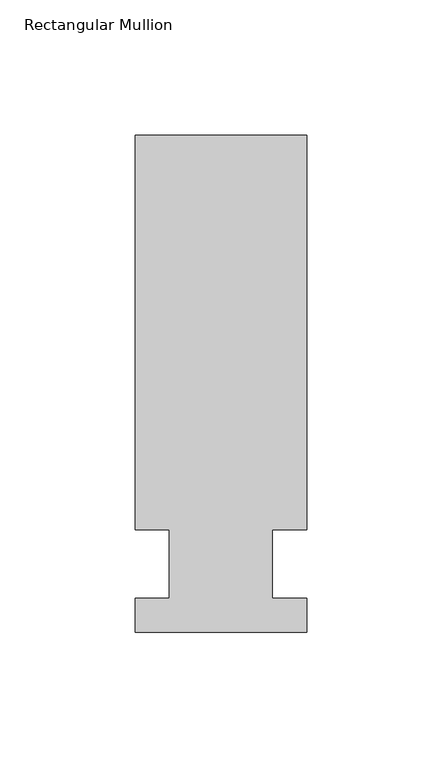
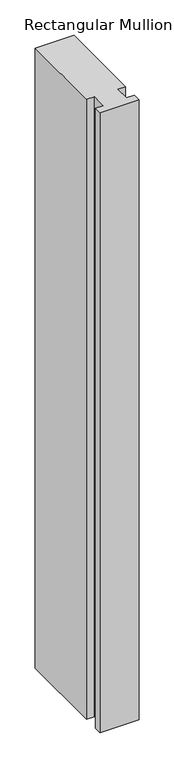
"""IFC4 building model written with IfcOpenShell, lengths in millimetres: member geometry, Rectangular Mullion."""

import ifcopenshell
import ifcopenshell.guid

model = None  # the IFC model being written
_history = None  # IfcOwnerHistory: only IFC2X3 demands one
_inside = {}  # id of a spatial element -> (the spatial element, [elements in it])
_under = {}  # id of a project, library or spatial element -> (it, [spatial elements below it])
_declared = {}  # id of a project -> (the project, [libraries it declares])
_typed = {}  # id of a type object -> (the type object, [elements of that type])
_made_of = {}  # id of a material, layer set ... -> (it, [elements and type objects made of it])


def new_model(schema):
    """Start an empty IFC model of exactly this schema.

    Asked for "IFC4X3", IfcOpenShell would pick the latest addendum, in which some entities
    have other attributes; the version numbers below select the first issue.
    IFC2X3 requires an IfcOwnerHistory on every rooted entity: one is made here for all.
    """
    global model, _history
    if schema == "IFC4X3":
        model = ifcopenshell.file(schema_version=(4, 3, 0, 0))
    else:
        model = ifcopenshell.file(schema=schema)
    _inside.clear()
    _under.clear()
    _declared.clear()
    _typed.clear()
    _made_of.clear()
    _history = None
    if model.schema == "IFC2X3":
        org = make("IfcOrganization", Name="unknown")
        user = make(
            "IfcPersonAndOrganization",
            ThePerson=make("IfcPerson", FamilyName="unknown"),
            TheOrganization=org,
        )
        app = make(
            "IfcApplication",
            ApplicationDeveloper=org,
            Version="unknown",
            ApplicationFullName="unknown",
            ApplicationIdentifier="unknown",
        )
        _history = make(
            "IfcOwnerHistory",
            OwningUser=user,
            OwningApplication=app,
            ChangeAction="ADDED",
            CreationDate=0,
        )
    return model


def make(cls, **values):
    """One entity of the class cls with the attributes given. An attribute that is None is left unset."""
    return model.create_entity(
        cls, **{name: value for name, value in values.items() if value is not None}
    )


def rooted(cls, **values):
    """An entity with a GlobalId (a new one), such as an element, a storey or a relation."""
    return make(cls, GlobalId=ifcopenshell.guid.new(), OwnerHistory=_history, **values)


def si_unit(unit_type, name, prefix=None):
    """IfcSIUnit, for example si_unit("LENGTHUNIT", "METRE", prefix="MILLI")."""
    return make("IfcSIUnit", UnitType=unit_type, Prefix=prefix, Name=name)


def assignment(units):
    """IfcUnitAssignment: the units of a project."""
    return None if units is None else make("IfcUnitAssignment", Units=units)


def point(xyz):
    """IfcCartesianPoint."""
    return None if xyz is None else make("IfcCartesianPoint", Coordinates=xyz)


def direction(xyz):
    """IfcDirection."""
    return None if xyz is None else make("IfcDirection", DirectionRatios=xyz)


def frame(location, z_axis=None, x_axis=None):
    """IfcAxis2Placement3D, a coordinate frame: its origin and axes. An axis left out is left unset."""
    return make(
        "IfcAxis2Placement3D",
        Location=point(location),
        Axis=direction(z_axis),
        RefDirection=direction(x_axis),
    )


def origin():
    """The frame at (0, 0, 0) with its axes left unset."""
    return frame((0.0, 0.0, 0.0))


def place(relative_to, where):
    """IfcLocalPlacement: puts the frame where relative to a parent placement (None: the world)."""
    return make(
        "IfcLocalPlacement", PlacementRelTo=relative_to, RelativePlacement=where
    )


def context(
    kind, dimensions, precision=None, world=None, true_north=None, identifier=None
):
    """IfcGeometricRepresentationContext, for example the 3D "Model" context."""
    return make(
        "IfcGeometricRepresentationContext",
        ContextIdentifier=identifier,
        ContextType=kind,
        CoordinateSpaceDimension=dimensions,
        Precision=precision,
        WorldCoordinateSystem=world,
        TrueNorth=true_north,
    )


def project(units=None, contexts=None):
    """IfcProject with its units and contexts."""
    return rooted(
        "IfcProject",
        Name="project",
        RepresentationContexts=contexts,
        UnitsInContext=assignment(units),
    )


def spatial(cls, under=None, at=None, **own):
    """A site, building, storey or space (cls), placed at a placement, below another one or the project."""
    s = rooted(cls, ObjectPlacement=at, **own)
    if under is not None:
        _under.setdefault(under.id(), (under, []))[1].append(s)
    return s


def polyline(points):
    """IfcPolyline through the points."""
    return make("IfcPolyline", Points=[point(p) for p in points])


def outline(outer, holes=None, kind="AREA"):
    """IfcArbitraryClosedProfileDef: a profile drawn as a closed curve; with holes, ...WithVoids."""
    if holes is None:
        return make("IfcArbitraryClosedProfileDef", ProfileType=kind, OuterCurve=outer)
    return make(
        "IfcArbitraryProfileDefWithVoids",
        ProfileType=kind,
        OuterCurve=outer,
        InnerCurves=holes,
    )


def extrude(swept, where, along, depth):
    """IfcExtrudedAreaSolid: the profile swept, set in the frame where, extruded along a direction by depth."""
    return make(
        "IfcExtrudedAreaSolid",
        SweptArea=swept,
        Position=where,
        ExtrudedDirection=direction(along),
        Depth=depth,
    )


def shape(context_of_items, identifier, shape_type, items):
    """IfcShapeRepresentation: the items that make up one representation, for example the "Body"."""
    return make(
        "IfcShapeRepresentation",
        ContextOfItems=context_of_items,
        RepresentationIdentifier=identifier,
        RepresentationType=shape_type,
        Items=items,
    )


def source(mapping_origin, context_of_items, identifier, shape_type, items):
    """IfcRepresentationMap: a shape defined once, which mapped items show again and again."""
    return make(
        "IfcRepresentationMap",
        MappingOrigin=mapping_origin,
        MappedRepresentation=shape(context_of_items, identifier, shape_type, items),
    )


def transform(
    local_origin,
    x_axis=None,
    y_axis=None,
    z_axis=None,
    scale=None,
    scale2=None,
    scale3=None,
    uniform=True,
):
    """IfcCartesianTransformationOperator3D, or its non-uniform kind. x_axis, y_axis, z_axis: its Axis1, 2, 3."""
    if uniform:
        return make(
            "IfcCartesianTransformationOperator3D",
            Axis1=direction(x_axis),
            Axis2=direction(y_axis),
            LocalOrigin=point(local_origin),
            Scale=scale,
            Axis3=direction(z_axis),
        )
    return make(
        "IfcCartesianTransformationOperator3DnonUniform",
        Axis1=direction(x_axis),
        Axis2=direction(y_axis),
        LocalOrigin=point(local_origin),
        Scale=scale,
        Axis3=direction(z_axis),
        Scale2=scale2,
        Scale3=scale3,
    )


def mapped(mapping_source, mapping_target):
    """IfcMappedItem: shows the shape of a source again, moved by a transform."""
    return make(
        "IfcMappedItem", MappingSource=mapping_source, MappingTarget=mapping_target
    )


def made_of(thing, what):
    """Note that an element or type object is made of a material, layer set ...; save() writes the relation."""
    if what is not None:
        _made_of.setdefault(what.id(), (what, []))[1].append(thing)
    return thing


def element(
    cls,
    number,
    at=None,
    inside=None,
    cuts=None,
    type_object=None,
    material=None,
    context=None,
    identifier="Body",
    shape_type=None,
    held_by="IfcProductDefinitionShape",
    body=None,
    shapes=None,
    **own,
):
    """One element of the class cls, such as IfcWall. Its Tag is "e" and its number.

    at: its placement. inside: the storey or other place that contains it. cuts: it is an
    opening in that element (IfcRelVoidsElement). A single representation is given by context,
    identifier, shape_type and body (its items); several are given by shapes. held_by: the class
    of the entity that holds the representations. save() writes the other relations.
    """
    e = rooted(cls, Tag="e%d" % number, ObjectPlacement=at, **own)
    if body is not None:
        shapes = [shape(context, identifier, shape_type, body)]
    if shapes is not None:
        e.Representation = make(held_by, Representations=shapes)
    if inside is not None:
        _inside.setdefault(inside.id(), (inside, []))[1].append(e)
    if cuts is not None:
        rooted(
            "IfcRelVoidsElement", RelatingBuildingElement=cuts, RelatedOpeningElement=e
        )
    if type_object is not None:
        _typed.setdefault(type_object.id(), (type_object, []))[1].append(e)
    return made_of(e, material)


def aggregate(whole, parts):
    """IfcRelAggregates: a whole, such as a stair, and the parts it consists of."""
    return rooted("IfcRelAggregates", RelatingObject=whole, RelatedObjects=parts)


def save(model, path):
    """Write the relations noted so far, then the file.

    IfcRelAggregates (storeys below a building ...), IfcRelContainedInSpatialStructure (elements
    in a storey), IfcRelDefinesByType, IfcRelAssociatesMaterial and IfcRelDeclares: one each for
    every whole, place, type object, material and project.
    """
    for whole, parts in _under.values():
        aggregate(whole, parts)
    for where, things in _inside.values():
        rooted(
            "IfcRelContainedInSpatialStructure",
            RelatedElements=things,
            RelatingStructure=where,
        )
    for kind, things in _typed.values():
        rooted("IfcRelDefinesByType", RelatedObjects=things, RelatingType=kind)
    for what, things in _made_of.values():
        rooted("IfcRelAssociatesMaterial", RelatedObjects=things, RelatingMaterial=what)
    for by, libraries in _declared.values():
        rooted("IfcRelDeclares", RelatingContext=by, RelatedDefinitions=libraries)
    model.write(path)


def rectangular_mullion_900962a8(model_context):
    return source(origin(), model_context, "Body", "SweptSolid", [
        extrude(outline(polyline([(36.0844027, 158.75), (36.0844027, 12.7), (23.3826322, 12.7), (23.3826322, -12.7), (36.0844027, -12.7), (36.0844027, -25.4), (-27.4155973, -25.4), (-27.4155973, -12.7), (-14.7155973, -12.7), (-14.7155973, 12.7), (-27.4155973, 12.7), (-27.4155973, 158.75), (36.0844027, 158.75)])), frame((0.0, 0.0, -1071.9905973), z_axis=(0.0, 0.0, 1.0), x_axis=(1.0, 0.0, 0.0)), (0.0, 0.0, 1.0), 1071.9905973),
    ])


if __name__ == "__main__":
    model = new_model("IFC4")
    model_context = context("Model", 3, world=origin())
    ifc_project = project(units=[si_unit("LENGTHUNIT", "METRE", prefix="MILLI")], contexts=[model_context])
    site = spatial("IfcSite", under=ifc_project)
    building = spatial("IfcBuilding", under=site)
    placement = place(None, origin())
    rectangular_mullion_shape = rectangular_mullion_900962a8(model_context)
    element("IfcMember", 1, ObjectType="Rectangular Mullion", at=placement, inside=building, context=model_context, shape_type="MappedRepresentation", body=[
        mapped(rectangular_mullion_shape, transform((0.0, 0.0, 0.0), x_axis=(1.0, 0.0, 0.0), y_axis=(0.0, 1.0, 0.0), z_axis=(0.0, 0.0, 1.0))),
    ])
    save(model, "model.ifc")
